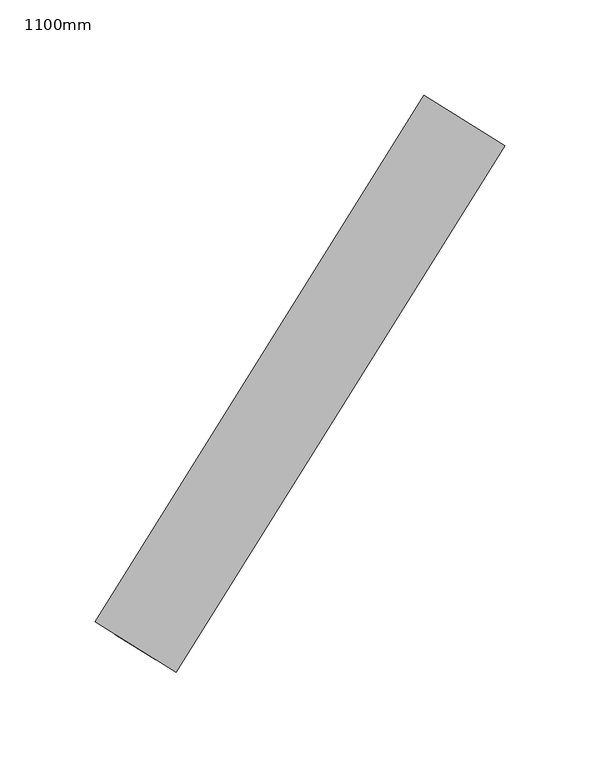
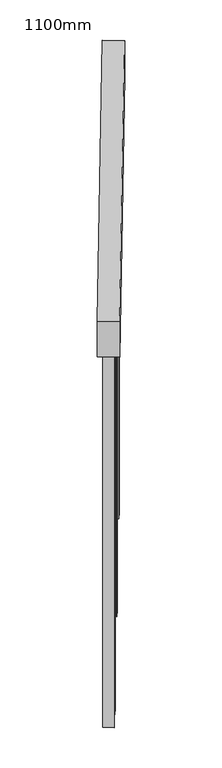
"""IFC4 building model written with IfcOpenShell, lengths in millimetres: railing geometry, 1100mm."""

import ifcopenshell
import ifcopenshell.guid

model = None  # the IFC model being written
_history = None  # IfcOwnerHistory: only IFC2X3 demands one
_inside = {}  # id of a spatial element -> (the spatial element, [elements in it])
_under = {}  # id of a project, library or spatial element -> (it, [spatial elements below it])
_declared = {}  # id of a project -> (the project, [libraries it declares])
_typed = {}  # id of a type object -> (the type object, [elements of that type])
_made_of = {}  # id of a material, layer set ... -> (it, [elements and type objects made of it])


def new_model(schema):
    """Start an empty IFC model of exactly this schema.

    Asked for "IFC4X3", IfcOpenShell would pick the latest addendum, in which some entities
    have other attributes; the version numbers below select the first issue.
    IFC2X3 requires an IfcOwnerHistory on every rooted entity: one is made here for all.
    """
    global model, _history
    if schema == "IFC4X3":
        model = ifcopenshell.file(schema_version=(4, 3, 0, 0))
    else:
        model = ifcopenshell.file(schema=schema)
    _inside.clear()
    _under.clear()
    _declared.clear()
    _typed.clear()
    _made_of.clear()
    _history = None
    if model.schema == "IFC2X3":
        org = make("IfcOrganization", Name="unknown")
        user = make(
            "IfcPersonAndOrganization",
            ThePerson=make("IfcPerson", FamilyName="unknown"),
            TheOrganization=org,
        )
        app = make(
            "IfcApplication",
            ApplicationDeveloper=org,
            Version="unknown",
            ApplicationFullName="unknown",
            ApplicationIdentifier="unknown",
        )
        _history = make(
            "IfcOwnerHistory",
            OwningUser=user,
            OwningApplication=app,
            ChangeAction="ADDED",
            CreationDate=0,
        )
    return model


def make(cls, **values):
    """One entity of the class cls with the attributes given. An attribute that is None is left unset."""
    return model.create_entity(
        cls, **{name: value for name, value in values.items() if value is not None}
    )


def rooted(cls, **values):
    """An entity with a GlobalId (a new one), such as an element, a storey or a relation."""
    return make(cls, GlobalId=ifcopenshell.guid.new(), OwnerHistory=_history, **values)


def si_unit(unit_type, name, prefix=None):
    """IfcSIUnit, for example si_unit("LENGTHUNIT", "METRE", prefix="MILLI")."""
    return make("IfcSIUnit", UnitType=unit_type, Prefix=prefix, Name=name)


def assignment(units):
    """IfcUnitAssignment: the units of a project."""
    return None if units is None else make("IfcUnitAssignment", Units=units)


def point(xyz):
    """IfcCartesianPoint."""
    return None if xyz is None else make("IfcCartesianPoint", Coordinates=xyz)


def direction(xyz):
    """IfcDirection."""
    return None if xyz is None else make("IfcDirection", DirectionRatios=xyz)


def frame(location, z_axis=None, x_axis=None):
    """IfcAxis2Placement3D, a coordinate frame: its origin and axes. An axis left out is left unset."""
    return make(
        "IfcAxis2Placement3D",
        Location=point(location),
        Axis=direction(z_axis),
        RefDirection=direction(x_axis),
    )


def origin():
    """The frame at (0, 0, 0) with its axes left unset."""
    return frame((0.0, 0.0, 0.0))


def place(relative_to, where):
    """IfcLocalPlacement: puts the frame where relative to a parent placement (None: the world)."""
    return make(
        "IfcLocalPlacement", PlacementRelTo=relative_to, RelativePlacement=where
    )


def context(
    kind, dimensions, precision=None, world=None, true_north=None, identifier=None
):
    """IfcGeometricRepresentationContext, for example the 3D "Model" context."""
    return make(
        "IfcGeometricRepresentationContext",
        ContextIdentifier=identifier,
        ContextType=kind,
        CoordinateSpaceDimension=dimensions,
        Precision=precision,
        WorldCoordinateSystem=world,
        TrueNorth=true_north,
    )


def project(units=None, contexts=None):
    """IfcProject with its units and contexts."""
    return rooted(
        "IfcProject",
        Name="project",
        RepresentationContexts=contexts,
        UnitsInContext=assignment(units),
    )


def spatial(cls, under=None, at=None, **own):
    """A site, building, storey or space (cls), placed at a placement, below another one or the project."""
    s = rooted(cls, ObjectPlacement=at, **own)
    if under is not None:
        _under.setdefault(under.id(), (under, []))[1].append(s)
    return s


def polyline(points):
    """IfcPolyline through the points."""
    return make("IfcPolyline", Points=[point(p) for p in points])


def outline(outer, holes=None, kind="AREA"):
    """IfcArbitraryClosedProfileDef: a profile drawn as a closed curve; with holes, ...WithVoids."""
    if holes is None:
        return make("IfcArbitraryClosedProfileDef", ProfileType=kind, OuterCurve=outer)
    return make(
        "IfcArbitraryProfileDefWithVoids",
        ProfileType=kind,
        OuterCurve=outer,
        InnerCurves=holes,
    )


def extrude(swept, where, along, depth):
    """IfcExtrudedAreaSolid: the profile swept, set in the frame where, extruded along a direction by depth."""
    return make(
        "IfcExtrudedAreaSolid",
        SweptArea=swept,
        Position=where,
        ExtrudedDirection=direction(along),
        Depth=depth,
    )


def shape(context_of_items, identifier, shape_type, items):
    """IfcShapeRepresentation: the items that make up one representation, for example the "Body"."""
    return make(
        "IfcShapeRepresentation",
        ContextOfItems=context_of_items,
        RepresentationIdentifier=identifier,
        RepresentationType=shape_type,
        Items=items,
    )


def source(mapping_origin, context_of_items, identifier, shape_type, items):
    """IfcRepresentationMap: a shape defined once, which mapped items show again and again."""
    return make(
        "IfcRepresentationMap",
        MappingOrigin=mapping_origin,
        MappedRepresentation=shape(context_of_items, identifier, shape_type, items),
    )


def transform(
    local_origin,
    x_axis=None,
    y_axis=None,
    z_axis=None,
    scale=None,
    scale2=None,
    scale3=None,
    uniform=True,
):
    """IfcCartesianTransformationOperator3D, or its non-uniform kind. x_axis, y_axis, z_axis: its Axis1, 2, 3."""
    if uniform:
        return make(
            "IfcCartesianTransformationOperator3D",
            Axis1=direction(x_axis),
            Axis2=direction(y_axis),
            LocalOrigin=point(local_origin),
            Scale=scale,
            Axis3=direction(z_axis),
        )
    return make(
        "IfcCartesianTransformationOperator3DnonUniform",
        Axis1=direction(x_axis),
        Axis2=direction(y_axis),
        LocalOrigin=point(local_origin),
        Scale=scale,
        Axis3=direction(z_axis),
        Scale2=scale2,
        Scale3=scale3,
    )


def mapped(mapping_source, mapping_target):
    """IfcMappedItem: shows the shape of a source again, moved by a transform."""
    return make(
        "IfcMappedItem", MappingSource=mapping_source, MappingTarget=mapping_target
    )


def made_of(thing, what):
    """Note that an element or type object is made of a material, layer set ...; save() writes the relation."""
    if what is not None:
        _made_of.setdefault(what.id(), (what, []))[1].append(thing)
    return thing


def element(
    cls,
    number,
    at=None,
    inside=None,
    cuts=None,
    type_object=None,
    material=None,
    context=None,
    identifier="Body",
    shape_type=None,
    held_by="IfcProductDefinitionShape",
    body=None,
    shapes=None,
    **own,
):
    """One element of the class cls, such as IfcWall. Its Tag is "e" and its number.

    at: its placement. inside: the storey or other place that contains it. cuts: it is an
    opening in that element (IfcRelVoidsElement). A single representation is given by context,
    identifier, shape_type and body (its items); several are given by shapes. held_by: the class
    of the entity that holds the representations. save() writes the other relations.
    """
    e = rooted(cls, Tag="e%d" % number, ObjectPlacement=at, **own)
    if body is not None:
        shapes = [shape(context, identifier, shape_type, body)]
    if shapes is not None:
        e.Representation = make(held_by, Representations=shapes)
    if inside is not None:
        _inside.setdefault(inside.id(), (inside, []))[1].append(e)
    if cuts is not None:
        rooted(
            "IfcRelVoidsElement", RelatingBuildingElement=cuts, RelatedOpeningElement=e
        )
    if type_object is not None:
        _typed.setdefault(type_object.id(), (type_object, []))[1].append(e)
    return made_of(e, material)


def aggregate(whole, parts):
    """IfcRelAggregates: a whole, such as a stair, and the parts it consists of."""
    return rooted("IfcRelAggregates", RelatingObject=whole, RelatedObjects=parts)


def save(model, path):
    """Write the relations noted so far, then the file.

    IfcRelAggregates (storeys below a building ...), IfcRelContainedInSpatialStructure (elements
    in a storey), IfcRelDefinesByType, IfcRelAssociatesMaterial and IfcRelDeclares: one each for
    every whole, place, type object, material and project.
    """
    for whole, parts in _under.values():
        aggregate(whole, parts)
    for where, things in _inside.values():
        rooted(
            "IfcRelContainedInSpatialStructure",
            RelatedElements=things,
            RelatingStructure=where,
        )
    for kind, things in _typed.values():
        rooted("IfcRelDefinesByType", RelatedObjects=things, RelatingType=kind)
    for what, things in _made_of.values():
        rooted("IfcRelAssociatesMaterial", RelatedObjects=things, RelatingMaterial=what)
    for by, libraries in _declared.values():
        rooted("IfcRelDeclares", RelatingContext=by, RelatedDefinitions=libraries)
    model.write(path)


def railing_1100mm_e8e70b4a(model_context):
    return source(origin(), model_context, "Body", "SweptSolid", [
        extrude(outline(polyline([(81.8611783, -50.0), (0.0, 0.0), (624.9484728, -1e-07), (706.809651, -50.0000001), (81.8611783, -50.0)])), frame((-15043.6060059, -114317.7192502, 1181.8546184), z_axis=(-0.8480480961564186, 0.5299192642332169, 0.0), x_axis=(0.2762207102277336, 0.44204554021367076, 0.8534036908863768)), (0.0, 0.0, 1.0), 50.0),
        extrude(outline(polyline([(1260.1536492, 25.0), (1260.1536492, 0.0), (79.5347054, 0.0), (120.4652946, 25.0), (1260.1536492, 25.0)])), frame((-14881.9828462, -114035.4796282, 1793.4869825), z_axis=(-0.8480480961564186, 0.5299192642332168, 0.0), x_axis=(0.0, 0.0, -1.0)), (0.0, 0.0, 1.0), 25.0),
        extrude(outline(polyline([(1233.2784813, 25.0), (1233.2784813, 0.0), (79.5347055, 0.0), (120.4652946, 25.0), (1233.2784813, 25.0)])), frame((-14948.2227543, -114141.4856402, 1588.8340369), z_axis=(-0.8480480961564186, 0.5299192642332168, 0.0), x_axis=(0.0, 0.0, -1.0)), (0.0, 0.0, 1.0), 25.0),
        extrude(outline(polyline([(1206.4033134, 25.0), (1206.4033134, 0.0), (79.5347054, 0.0), (120.4652945, 25.0), (1206.4033134, 25.0)])), frame((-15014.4626623, -114247.4916522, 1384.1810912), z_axis=(-0.8480480961564186, 0.5299192642332168, 0.0), x_axis=(0.0, 0.0, -1.0)), (0.0, 0.0, 1.0), 25.0),
        extrude(outline(polyline([(1261.3893239, 25.0000001), (1261.3893239, 0.0), (79.5347055, 0.0), (120.4652946, 25.0000001), (1261.3893239, 25.0000001)])), frame((-14881.5828961, -114034.8395741, 1794.7226572), z_axis=(-0.8480480961564186, 0.5299192642332168, 0.0), x_axis=(0.0, 0.0, -1.0)), (0.0, 0.0, 1.0), 25.0),
        extrude(outline(polyline([(1124.5421352, 25.0), (1124.5421352, 0.0), (79.5347055, 0.0), (120.4652946, 25.0), (1124.5421352, 25.0)])), frame((-15040.9586255, -114289.894057, 1302.319913), z_axis=(-0.8480480961564186, 0.5299192642332168, 0.0), x_axis=(0.0, 0.0, -1.0)), (0.0, 0.0, 1.0), 25.0),
    ])


if __name__ == "__main__":
    model = new_model("IFC4")
    model_context = context("Model", 3, world=origin())
    ifc_project = project(units=[si_unit("LENGTHUNIT", "METRE", prefix="MILLI")], contexts=[model_context])
    site = spatial("IfcSite", under=ifc_project)
    building = spatial("IfcBuilding", under=site)
    placement = place(None, origin())
    railing_1100mm_shape = railing_1100mm_e8e70b4a(model_context)
    element("IfcRailing", 1, ObjectType="1100mm", at=placement, inside=building, context=model_context, shape_type="MappedRepresentation", body=[
        mapped(railing_1100mm_shape, transform((0.0, 0.0, 0.0), x_axis=(1.0, 0.0, 0.0), y_axis=(0.0, 1.0, 0.0), z_axis=(0.0, 0.0, 1.0))),
    ])
    save(model, "model.ifc")
